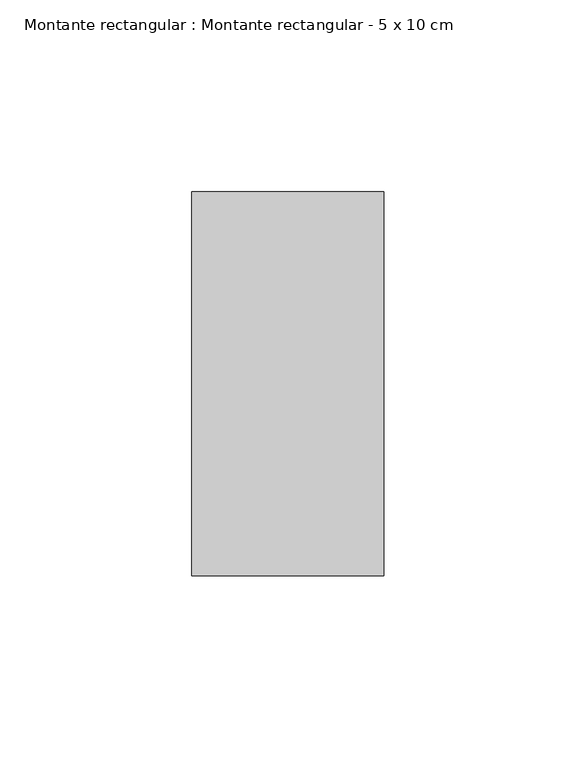
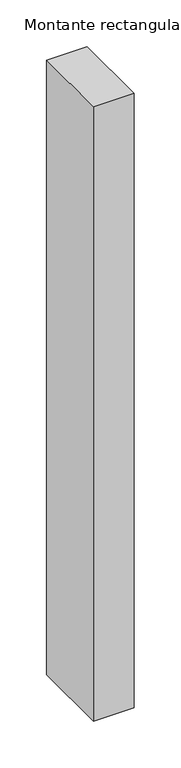
"""IFC4 building model written with IfcOpenShell, lengths in millimetres: member geometry, Montante rectangular : Montante rectangular - 5 x 10 cm."""

from ifc_helpers import new_model, si_unit, frame, origin, place, context, project, spatial, polyline, outline, extrude, source, transform, mapped, element, save


def montante_rectangular_montante_rectangular_5_x_10_cm_b7e3f8f0(model_context):
    return source(origin(), model_context, "Body", "SweptSolid", [
        extrude(outline(polyline([(-50.0, 50.0), (0.0, 50.0), (0.0, -50.0), (-50.0, -50.0), (-50.0, 50.0)])), frame((0.0, 0.0, -800.0), z_axis=(0.0, 0.0, 1.0), x_axis=(1.0, 0.0, 0.0)), (0.0, 0.0, 1.0), 800.0),
    ])


if __name__ == "__main__":
    model = new_model("IFC4")
    model_context = context("Model", 3, world=origin())
    ifc_project = project(units=[si_unit("LENGTHUNIT", "METRE", prefix="MILLI")], contexts=[model_context])
    site = spatial("IfcSite", under=ifc_project)
    building = spatial("IfcBuilding", under=site)
    placement = place(None, origin())
    montante_rectangular_montante_rectangular_5_x_10_cm_shape = montante_rectangular_montante_rectangular_5_x_10_cm_b7e3f8f0(model_context)
    element("IfcMember", 1, ObjectType="Montante rectangular : Montante rectangular - 5 x 10 cm", at=placement, inside=building, context=model_context, shape_type="MappedRepresentation", body=[
        mapped(montante_rectangular_montante_rectangular_5_x_10_cm_shape, transform((0.0, 0.0, 0.0), x_axis=(1.0, 0.0, 0.0), y_axis=(0.0, 1.0, 0.0), z_axis=(0.0, 0.0, 1.0))),
    ])
    save(model, "model.ifc")
